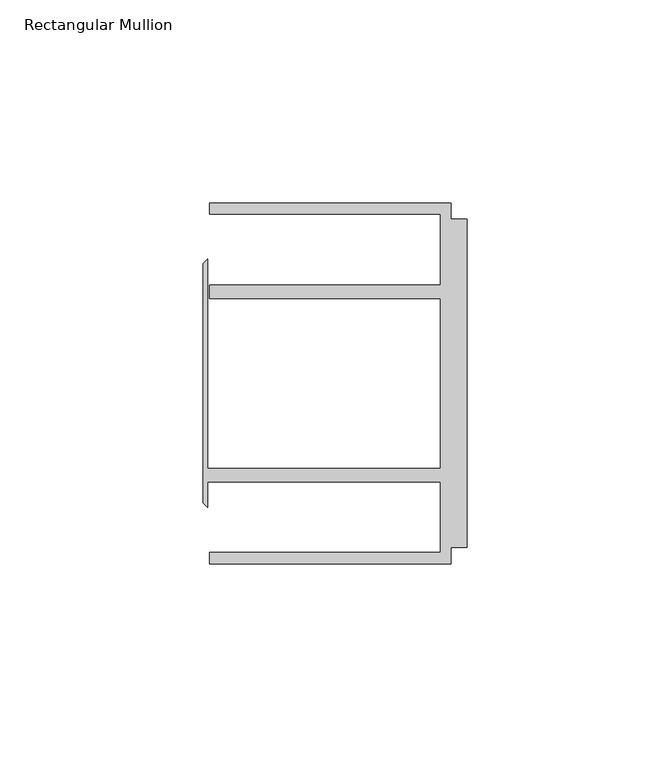
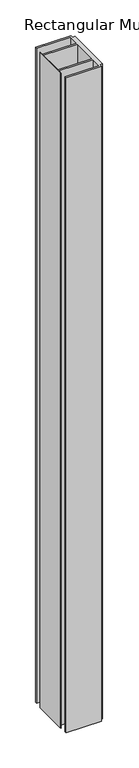
"""IFC4 building model written with IfcOpenShell, lengths in millimetres: member geometry, Rectangular Mullion."""

from ifc_helpers import new_model, si_unit, frame, origin, place, context, project, spatial, polyline, outline, extrude, source, transform, mapped, element, save


def rectangular_mullion_f61eb6ff(model_context):
    return source(origin(), model_context, "Body", "SweptSolid", [
        extrude(outline(polyline([(-4.0000001, 44.45), (-4.0000001, 40.4500013), (0.0, 40.4500013), (0.0, -40.4500013), (-4.0000001, -40.4500013), (-4.0000001, -44.45), (-63.5, -44.45), (-63.5, -41.6500013), (-6.6000002, -41.6500013), (-6.6000002, -24.2500008), (-63.9424102, -24.2500008), (-63.9424102, -30.6159585), (-65.0875, -29.4708687), (-65.0875, 29.4708687), (-63.9424102, 30.6159585), (-63.9424102, -20.9500007), (-6.6000002, -20.9500007), (-6.6000002, 20.9500007), (-63.5, 20.9500007), (-63.5, 24.2500008), (-6.6000002, 24.2500008), (-6.6000002, 41.6500013), (-63.5, 41.6500013), (-63.5, 44.45), (-4.0000001, 44.45)])), frame((0.0, 0.0, -1163.5712283), z_axis=(0.0, 0.0, 1.0), x_axis=(1.0, 0.0, 0.0)), (0.0, 0.0, 1.0), 1163.5712283),
    ])


if __name__ == "__main__":
    model = new_model("IFC4")
    model_context = context("Model", 3, world=origin())
    ifc_project = project(units=[si_unit("LENGTHUNIT", "METRE", prefix="MILLI")], contexts=[model_context])
    site = spatial("IfcSite", under=ifc_project)
    building = spatial("IfcBuilding", under=site)
    placement = place(None, origin())
    rectangular_mullion_shape = rectangular_mullion_f61eb6ff(model_context)
    element("IfcMember", 1, ObjectType="Rectangular Mullion", at=placement, inside=building, context=model_context, shape_type="MappedRepresentation", body=[
        mapped(rectangular_mullion_shape, transform((0.0, 0.0, 0.0), x_axis=(1.0, 0.0, 0.0), y_axis=(0.0, 1.0, 0.0), z_axis=(0.0, 0.0, 1.0))),
    ])
    save(model, "model.ifc")
